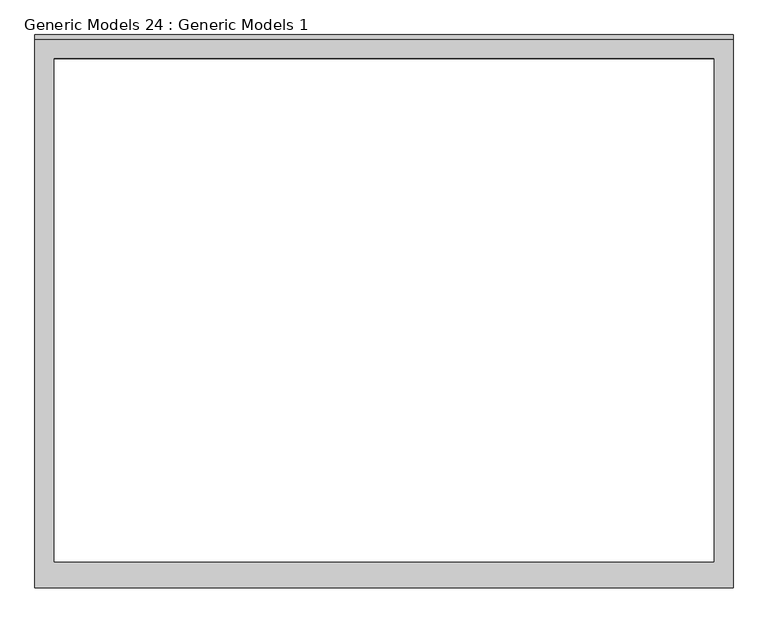
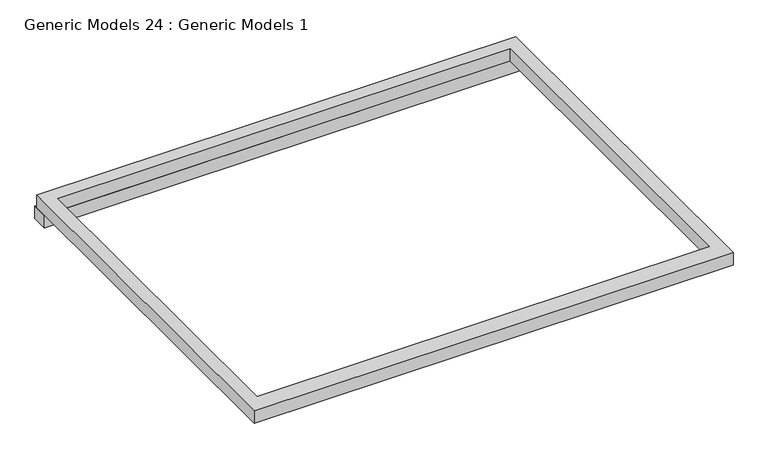
"""IFC4 building model written with IfcOpenShell, lengths in millimetres: proxy geometry, Generic Models 24 : Generic Models 1."""

from ifc_helpers import new_model, si_unit, frame, origin, place, context, project, spatial, polyline, outline, extrude, source, transform, mapped, element, save


def generic_models_24_generic_models_1_e64d2778(model_context):
    return source(origin(), model_context, "Body", "SweptSolid", [
        extrude(outline(polyline([(5884.1340729, 7074.0860849), (7684.1340729, 7074.0860849), (7684.1340729, 7012.0360849), (5884.1340729, 7012.0360849), (5884.1340729, 7074.0860849)])), frame((0.0, 0.0, 8060.0), z_axis=(0.0, 0.0, 1.0), x_axis=(1.0, 0.0, 0.0)), (0.0, 0.0, 1.0), 50.0),
        extrude(outline(polyline([(5884.1340729, 7062.0360849), (7684.1340729, 7062.0360849), (7684.1340729, 5647.0360849), (5884.1340729, 5647.0360849), (5884.1340729, 7062.0360849)]), holes=[polyline([(7634.1340729, 7012.0360849), (5934.1340729, 7012.0360849), (5934.1340729, 5714.5357079), (7634.1340729, 5714.5357079), (7634.1340729, 7012.0360849)])]), frame((0.0, 0.0, 8110.0), z_axis=(0.0, 0.0, 1.0), x_axis=(1.0, 0.0, 0.0)), (0.0, 0.0, 1.0), 50.0),
    ])


if __name__ == "__main__":
    model = new_model("IFC4")
    model_context = context("Model", 3, world=origin())
    ifc_project = project(units=[si_unit("LENGTHUNIT", "METRE", prefix="MILLI")], contexts=[model_context])
    site = spatial("IfcSite", under=ifc_project)
    building = spatial("IfcBuilding", under=site)
    placement = place(None, origin())
    generic_models_24_generic_models_1_shape = generic_models_24_generic_models_1_e64d2778(model_context)
    element("IfcBuildingElementProxy", 1, Name="Generic Models 24 : Generic Models 1", ObjectType="Generic Models 24 : Generic Models 1", at=placement, inside=building, context=model_context, shape_type="MappedRepresentation", body=[
        mapped(generic_models_24_generic_models_1_shape, transform((0.0, 0.0, 0.0), x_axis=(1.0, 0.0, 0.0), y_axis=(0.0, 1.0, 0.0), z_axis=(0.0, 0.0, 1.0))),
    ])
    save(model, "model.ifc")
